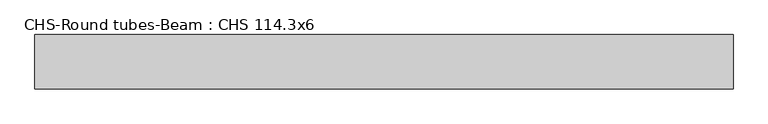
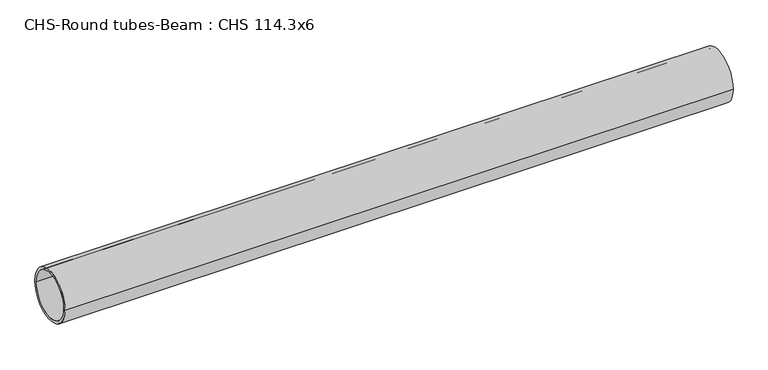
"""IFC4 building model written with IfcOpenShell, lengths in millimetres: beam geometry, CHS-Round tubes-Beam : CHS 114.3x6."""

import ifcopenshell
import ifcopenshell.guid

model = None  # the IFC model being written
_history = None  # IfcOwnerHistory: only IFC2X3 demands one
_inside = {}  # id of a spatial element -> (the spatial element, [elements in it])
_under = {}  # id of a project, library or spatial element -> (it, [spatial elements below it])
_declared = {}  # id of a project -> (the project, [libraries it declares])
_typed = {}  # id of a type object -> (the type object, [elements of that type])
_made_of = {}  # id of a material, layer set ... -> (it, [elements and type objects made of it])


def new_model(schema):
    """Start an empty IFC model of exactly this schema.

    Asked for "IFC4X3", IfcOpenShell would pick the latest addendum, in which some entities
    have other attributes; the version numbers below select the first issue.
    IFC2X3 requires an IfcOwnerHistory on every rooted entity: one is made here for all.
    """
    global model, _history
    if schema == "IFC4X3":
        model = ifcopenshell.file(schema_version=(4, 3, 0, 0))
    else:
        model = ifcopenshell.file(schema=schema)
    _inside.clear()
    _under.clear()
    _declared.clear()
    _typed.clear()
    _made_of.clear()
    _history = None
    if model.schema == "IFC2X3":
        org = make("IfcOrganization", Name="unknown")
        user = make(
            "IfcPersonAndOrganization",
            ThePerson=make("IfcPerson", FamilyName="unknown"),
            TheOrganization=org,
        )
        app = make(
            "IfcApplication",
            ApplicationDeveloper=org,
            Version="unknown",
            ApplicationFullName="unknown",
            ApplicationIdentifier="unknown",
        )
        _history = make(
            "IfcOwnerHistory",
            OwningUser=user,
            OwningApplication=app,
            ChangeAction="ADDED",
            CreationDate=0,
        )
    return model


def make(cls, **values):
    """One entity of the class cls with the attributes given. An attribute that is None is left unset."""
    return model.create_entity(
        cls, **{name: value for name, value in values.items() if value is not None}
    )


def rooted(cls, **values):
    """An entity with a GlobalId (a new one), such as an element, a storey or a relation."""
    return make(cls, GlobalId=ifcopenshell.guid.new(), OwnerHistory=_history, **values)


def si_unit(unit_type, name, prefix=None):
    """IfcSIUnit, for example si_unit("LENGTHUNIT", "METRE", prefix="MILLI")."""
    return make("IfcSIUnit", UnitType=unit_type, Prefix=prefix, Name=name)


def assignment(units):
    """IfcUnitAssignment: the units of a project."""
    return None if units is None else make("IfcUnitAssignment", Units=units)


def point(xyz):
    """IfcCartesianPoint."""
    return None if xyz is None else make("IfcCartesianPoint", Coordinates=xyz)


def direction(xyz):
    """IfcDirection."""
    return None if xyz is None else make("IfcDirection", DirectionRatios=xyz)


def frame(location, z_axis=None, x_axis=None):
    """IfcAxis2Placement3D, a coordinate frame: its origin and axes. An axis left out is left unset."""
    return make(
        "IfcAxis2Placement3D",
        Location=point(location),
        Axis=direction(z_axis),
        RefDirection=direction(x_axis),
    )


def frame_2d(location, x_axis=None):
    """IfcAxis2Placement2D, a coordinate frame in the plane: its origin and x axis."""
    return make(
        "IfcAxis2Placement2D", Location=point(location), RefDirection=direction(x_axis)
    )


def origin():
    """The frame at (0, 0, 0) with its axes left unset."""
    return frame((0.0, 0.0, 0.0))


def origin_2d():
    """The frame at (0, 0) in the plane with its x axis left unset."""
    return frame_2d((0.0, 0.0))


def place(relative_to, where):
    """IfcLocalPlacement: puts the frame where relative to a parent placement (None: the world)."""
    return make(
        "IfcLocalPlacement", PlacementRelTo=relative_to, RelativePlacement=where
    )


def context(
    kind, dimensions, precision=None, world=None, true_north=None, identifier=None
):
    """IfcGeometricRepresentationContext, for example the 3D "Model" context."""
    return make(
        "IfcGeometricRepresentationContext",
        ContextIdentifier=identifier,
        ContextType=kind,
        CoordinateSpaceDimension=dimensions,
        Precision=precision,
        WorldCoordinateSystem=world,
        TrueNorth=true_north,
    )


def project(units=None, contexts=None):
    """IfcProject with its units and contexts."""
    return rooted(
        "IfcProject",
        Name="project",
        RepresentationContexts=contexts,
        UnitsInContext=assignment(units),
    )


def spatial(cls, under=None, at=None, **own):
    """A site, building, storey or space (cls), placed at a placement, below another one or the project."""
    s = rooted(cls, ObjectPlacement=at, **own)
    if under is not None:
        _under.setdefault(under.id(), (under, []))[1].append(s)
    return s


def circle_curve(where, radius):
    """IfcCircle in the frame where."""
    return make("IfcCircle", Position=where, Radius=radius)


def trimmed(basis, trim1, trim2, sense, master):
    """IfcTrimmedCurve: the piece of a basis curve between two trims."""
    return make(
        "IfcTrimmedCurve",
        BasisCurve=basis,
        Trim1=trim1,
        Trim2=trim2,
        SenseAgreement=sense,
        MasterRepresentation=master,
    )


def segment(curve, same_sense, transition):
    """IfcCompositeCurveSegment."""
    return make(
        "IfcCompositeCurveSegment",
        Transition=transition,
        SameSense=same_sense,
        ParentCurve=curve,
    )


def composite_curve(segments, self_intersect=None):
    """IfcCompositeCurve: segments joined end to end."""
    return make("IfcCompositeCurve", Segments=segments, SelfIntersect=self_intersect)


def outline(outer, holes=None, kind="AREA"):
    """IfcArbitraryClosedProfileDef: a profile drawn as a closed curve; with holes, ...WithVoids."""
    if holes is None:
        return make("IfcArbitraryClosedProfileDef", ProfileType=kind, OuterCurve=outer)
    return make(
        "IfcArbitraryProfileDefWithVoids",
        ProfileType=kind,
        OuterCurve=outer,
        InnerCurves=holes,
    )


def extrude(swept, where, along, depth):
    """IfcExtrudedAreaSolid: the profile swept, set in the frame where, extruded along a direction by depth."""
    return make(
        "IfcExtrudedAreaSolid",
        SweptArea=swept,
        Position=where,
        ExtrudedDirection=direction(along),
        Depth=depth,
    )


def shape(context_of_items, identifier, shape_type, items):
    """IfcShapeRepresentation: the items that make up one representation, for example the "Body"."""
    return make(
        "IfcShapeRepresentation",
        ContextOfItems=context_of_items,
        RepresentationIdentifier=identifier,
        RepresentationType=shape_type,
        Items=items,
    )


def source(mapping_origin, context_of_items, identifier, shape_type, items):
    """IfcRepresentationMap: a shape defined once, which mapped items show again and again."""
    return make(
        "IfcRepresentationMap",
        MappingOrigin=mapping_origin,
        MappedRepresentation=shape(context_of_items, identifier, shape_type, items),
    )


def transform(
    local_origin,
    x_axis=None,
    y_axis=None,
    z_axis=None,
    scale=None,
    scale2=None,
    scale3=None,
    uniform=True,
):
    """IfcCartesianTransformationOperator3D, or its non-uniform kind. x_axis, y_axis, z_axis: its Axis1, 2, 3."""
    if uniform:
        return make(
            "IfcCartesianTransformationOperator3D",
            Axis1=direction(x_axis),
            Axis2=direction(y_axis),
            LocalOrigin=point(local_origin),
            Scale=scale,
            Axis3=direction(z_axis),
        )
    return make(
        "IfcCartesianTransformationOperator3DnonUniform",
        Axis1=direction(x_axis),
        Axis2=direction(y_axis),
        LocalOrigin=point(local_origin),
        Scale=scale,
        Axis3=direction(z_axis),
        Scale2=scale2,
        Scale3=scale3,
    )


def mapped(mapping_source, mapping_target):
    """IfcMappedItem: shows the shape of a source again, moved by a transform."""
    return make(
        "IfcMappedItem", MappingSource=mapping_source, MappingTarget=mapping_target
    )


def made_of(thing, what):
    """Note that an element or type object is made of a material, layer set ...; save() writes the relation."""
    if what is not None:
        _made_of.setdefault(what.id(), (what, []))[1].append(thing)
    return thing


def element(
    cls,
    number,
    at=None,
    inside=None,
    cuts=None,
    type_object=None,
    material=None,
    context=None,
    identifier="Body",
    shape_type=None,
    held_by="IfcProductDefinitionShape",
    body=None,
    shapes=None,
    **own,
):
    """One element of the class cls, such as IfcWall. Its Tag is "e" and its number.

    at: its placement. inside: the storey or other place that contains it. cuts: it is an
    opening in that element (IfcRelVoidsElement). A single representation is given by context,
    identifier, shape_type and body (its items); several are given by shapes. held_by: the class
    of the entity that holds the representations. save() writes the other relations.
    """
    e = rooted(cls, Tag="e%d" % number, ObjectPlacement=at, **own)
    if body is not None:
        shapes = [shape(context, identifier, shape_type, body)]
    if shapes is not None:
        e.Representation = make(held_by, Representations=shapes)
    if inside is not None:
        _inside.setdefault(inside.id(), (inside, []))[1].append(e)
    if cuts is not None:
        rooted(
            "IfcRelVoidsElement", RelatingBuildingElement=cuts, RelatedOpeningElement=e
        )
    if type_object is not None:
        _typed.setdefault(type_object.id(), (type_object, []))[1].append(e)
    return made_of(e, material)


def aggregate(whole, parts):
    """IfcRelAggregates: a whole, such as a stair, and the parts it consists of."""
    return rooted("IfcRelAggregates", RelatingObject=whole, RelatedObjects=parts)


def save(model, path):
    """Write the relations noted so far, then the file.

    IfcRelAggregates (storeys below a building ...), IfcRelContainedInSpatialStructure (elements
    in a storey), IfcRelDefinesByType, IfcRelAssociatesMaterial and IfcRelDeclares: one each for
    every whole, place, type object, material and project.
    """
    for whole, parts in _under.values():
        aggregate(whole, parts)
    for where, things in _inside.values():
        rooted(
            "IfcRelContainedInSpatialStructure",
            RelatedElements=things,
            RelatingStructure=where,
        )
    for kind, things in _typed.values():
        rooted("IfcRelDefinesByType", RelatedObjects=things, RelatingType=kind)
    for what, things in _made_of.values():
        rooted("IfcRelAssociatesMaterial", RelatedObjects=things, RelatingMaterial=what)
    for by, libraries in _declared.values():
        rooted("IfcRelDeclares", RelatingContext=by, RelatedDefinitions=libraries)
    model.write(path)


def chs_round_tubes_beam_chs_114_3x6_bc3bb368(model_context):
    return source(origin(), model_context, "Body", "SweptSolid", [
        extrude(outline(composite_curve([segment(trimmed(circle_curve(origin_2d(), 57.15), [point((57.15, 0.0))], [point((-57.15, 0.0))], False, "CARTESIAN"), True, "CONTINUOUS"), segment(trimmed(circle_curve(origin_2d(), 57.15), [point((-57.15, 0.0))], [point((57.15, 0.0))], False, "CARTESIAN"), True, "CONTINUOUS")], self_intersect=False), holes=[composite_curve([segment(trimmed(circle_curve(origin_2d(), 51.15), [point((51.15, 0.0))], [point((-51.15, 0.0))], True, "CARTESIAN"), True, "CONTINUOUS"), segment(trimmed(circle_curve(origin_2d(), 51.15), [point((-51.15, 0.0))], [point((51.15, 0.0))], True, "CARTESIAN"), True, "CONTINUOUS")], self_intersect=False)]), frame((-735.5883634, 0.0, 0.0), z_axis=(1.0, 0.0, 0.0), x_axis=(0.0, 1.0, 0.0)), (0.0, 0.0, 1.0), 1466.7627898),
    ])


if __name__ == "__main__":
    model = new_model("IFC4")
    model_context = context("Model", 3, world=origin())
    ifc_project = project(units=[si_unit("LENGTHUNIT", "METRE", prefix="MILLI")], contexts=[model_context])
    site = spatial("IfcSite", under=ifc_project)
    building = spatial("IfcBuilding", under=site)
    placement = place(None, origin())
    chs_round_tubes_beam_chs_114_3x6_shape = chs_round_tubes_beam_chs_114_3x6_bc3bb368(model_context)
    element("IfcBeam", 1, ObjectType="CHS-Round tubes-Beam : CHS 114.3x6", at=placement, inside=building, context=model_context, shape_type="MappedRepresentation", body=[
        mapped(chs_round_tubes_beam_chs_114_3x6_shape, transform((0.0, 0.0, 0.0), x_axis=(1.0, 0.0, 0.0), y_axis=(0.0, 1.0, 0.0), z_axis=(0.0, 0.0, 1.0))),
    ])
    save(model, "model.ifc")
